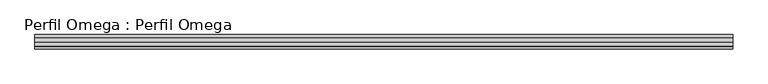
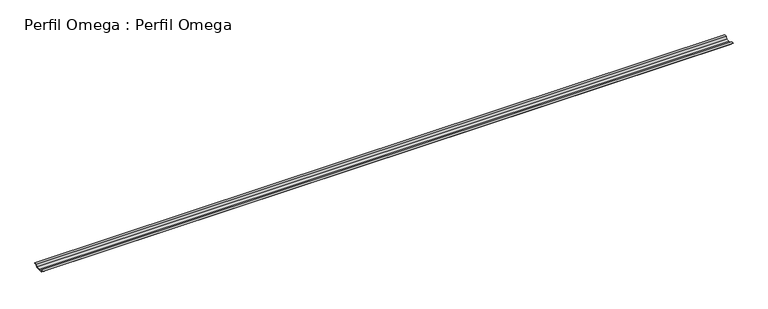
"""IFC4 building model written with IfcOpenShell, lengths in millimetres: proxy geometry, Perfil Omega : Perfil Omega."""

from ifc_helpers import new_model, si_unit, frame, origin, place, context, project, spatial, polyline, outline, extrude, source, transform, mapped, element, save


def perfil_omega_perfil_omega_d8fa6ab2(model_context):
    return source(origin(), model_context, "Body", "SweptSolid", [
        extrude(outline(polyline([(25.0, -17.0), (0.0, -17.0), (-25.0, -17.0), (-26.5, -2.4), (-41.4, -2.4), (-41.4, -1.4), (-25.5974759, -1.4), (-24.0974759, -16.0), (0.0, -16.0), (24.0974759, -16.0), (25.5974759, -1.4), (41.4, -1.4), (41.4, -2.4), (26.5, -2.4), (25.0, -17.0)])), frame((0.0, 0.0, 0.0), z_axis=(1.0, 0.0, 0.0), x_axis=(0.0, 1.0, 0.0)), (0.0, 0.0, 1.0), 4000.0),
    ])


if __name__ == "__main__":
    model = new_model("IFC4")
    model_context = context("Model", 3, world=origin())
    ifc_project = project(units=[si_unit("LENGTHUNIT", "METRE", prefix="MILLI")], contexts=[model_context])
    site = spatial("IfcSite", under=ifc_project)
    building = spatial("IfcBuilding", under=site)
    placement = place(None, origin())
    perfil_omega_perfil_omega_shape = perfil_omega_perfil_omega_d8fa6ab2(model_context)
    element("IfcBuildingElementProxy", 1, Name="Perfil Omega : Perfil Omega", ObjectType="Perfil Omega : Perfil Omega", at=placement, inside=building, context=model_context, shape_type="MappedRepresentation", body=[
        mapped(perfil_omega_perfil_omega_shape, transform((0.0, 0.0, 0.0), x_axis=(1.0, 0.0, 0.0), y_axis=(0.0, 1.0, 0.0), z_axis=(0.0, 0.0, 1.0))),
    ])
    save(model, "model.ifc")
